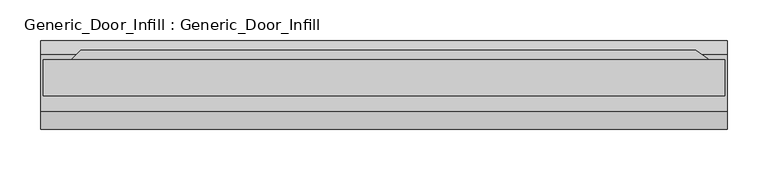
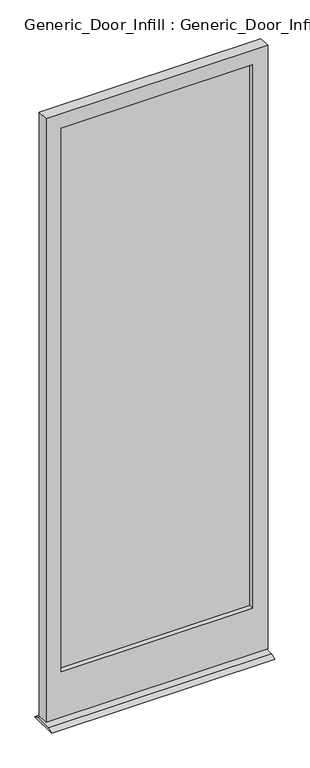
"""IFC4 building model written with IfcOpenShell, lengths in millimetres: plate geometry, Generic_Door_Infill : Generic_Door_Infill."""

from ifc_helpers import new_model, si_unit, frame, origin, place, context, project, spatial, polyline, outline, extrude, source, transform, mapped, element, save


def generic_door_infill_generic_door_infill_4235594e(model_context):
    return source(origin(), model_context, "Body", "SweptSolid", [
        extrude(outline(polyline([(-374.1519878, 35.8230014), (384.6192123, 35.8230014), (410.2694821, 17.8624892), (-392.1125, 17.8624892), (-374.1519878, 35.8230014)])), frame((0.0, 0.0, 1090.3849987), z_axis=(0.0, 0.0, 1.0), x_axis=(1.0, 0.0, 0.0)), (0.0, 0.0, 1.0), 78.0150013),
        extrude(outline(polyline([(-363.5375, -1.1875108), (-363.5375, 5.1624892), (363.5375, 5.1624892), (363.5375, -1.1875108), (-363.5375, -1.1875108)])), frame((0.0, 0.0, 200.025), z_axis=(0.0, 0.0, 1.0), x_axis=(1.0, 0.0, 0.0)), (0.0, 0.0, 1.0), 2178.05),
        extrude(outline(polyline([(2435.225, 420.6875), (2435.225, -420.6875), (17.4625, -420.6875), (17.4625, 420.6875), (2435.225, 420.6875)]), holes=[polyline([(2378.075, 363.5375), (200.025, 363.5375), (200.025, -363.5375), (2378.075, -363.5375), (2378.075, 363.5375)])]), frame((0.0, -20.2375108, 0.0), z_axis=(0.0, 1.0, 0.0), x_axis=(0.0, 0.0, 1.0)), (0.0, 0.0, 1.0), 44.45),
        extrude(outline(polyline([(30.5624892, 8.0508779), (47.8276525, 0.0), (-61.407116, 0.0), (-39.2875108, 8.0508779), (30.5624892, 8.0508779)])), frame((-423.8625, 0.0, 0.0), z_axis=(1.0, 0.0, 0.0), x_axis=(0.0, 1.0, 0.0)), (0.0, 0.0, 1.0), 847.725),
    ])


if __name__ == "__main__":
    model = new_model("IFC4")
    model_context = context("Model", 3, world=origin())
    ifc_project = project(units=[si_unit("LENGTHUNIT", "METRE", prefix="MILLI")], contexts=[model_context])
    site = spatial("IfcSite", under=ifc_project)
    building = spatial("IfcBuilding", under=site)
    placement = place(None, origin())
    generic_door_infill_generic_door_infill_shape = generic_door_infill_generic_door_infill_4235594e(model_context)
    element("IfcPlate", 1, ObjectType="Generic_Door_Infill : Generic_Door_Infill", at=placement, inside=building, context=model_context, shape_type="MappedRepresentation", body=[
        mapped(generic_door_infill_generic_door_infill_shape, transform((0.0, 0.0, 0.0), x_axis=(1.0, 0.0, 0.0), y_axis=(0.0, 1.0, 0.0), z_axis=(0.0, 0.0, 1.0))),
    ])
    save(model, "model.ifc")
